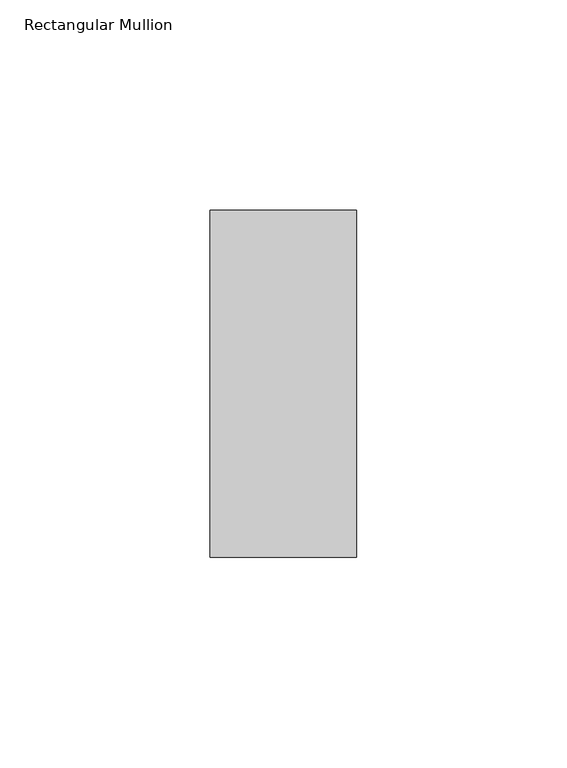
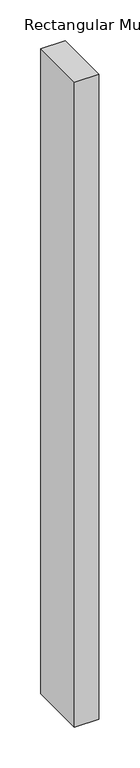
"""IFC4 building model written with IfcOpenShell, lengths in millimetres: member geometry, Rectangular Mullion."""

from ifc_helpers import new_model, si_unit, frame, origin, place, context, project, spatial, polyline, outline, extrude, source, transform, mapped, element, save


def rectangular_mullion_e250d31c(model_context):
    return source(origin(), model_context, "Body", "SweptSolid", [
        extrude(outline(polyline([(-34.925, -73.025), (-34.925, 9.525), (0.0, 9.525), (0.0, -73.025), (-34.925, -73.025)])), frame((0.0, 0.0, -968.375), z_axis=(0.0, 0.0, 1.0), x_axis=(1.0, 0.0, 0.0)), (0.0, 0.0, 1.0), 968.375),
    ])


if __name__ == "__main__":
    model = new_model("IFC4")
    model_context = context("Model", 3, world=origin())
    ifc_project = project(units=[si_unit("LENGTHUNIT", "METRE", prefix="MILLI")], contexts=[model_context])
    site = spatial("IfcSite", under=ifc_project)
    building = spatial("IfcBuilding", under=site)
    placement = place(None, origin())
    rectangular_mullion_shape = rectangular_mullion_e250d31c(model_context)
    element("IfcMember", 1, ObjectType="Rectangular Mullion", at=placement, inside=building, context=model_context, shape_type="MappedRepresentation", body=[
        mapped(rectangular_mullion_shape, transform((0.0, 0.0, 0.0), x_axis=(1.0, 0.0, 0.0), y_axis=(0.0, 1.0, 0.0), z_axis=(0.0, 0.0, 1.0))),
    ])
    save(model, "model.ifc")
